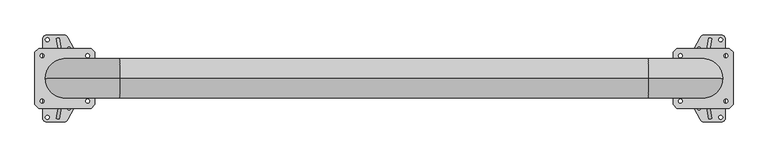
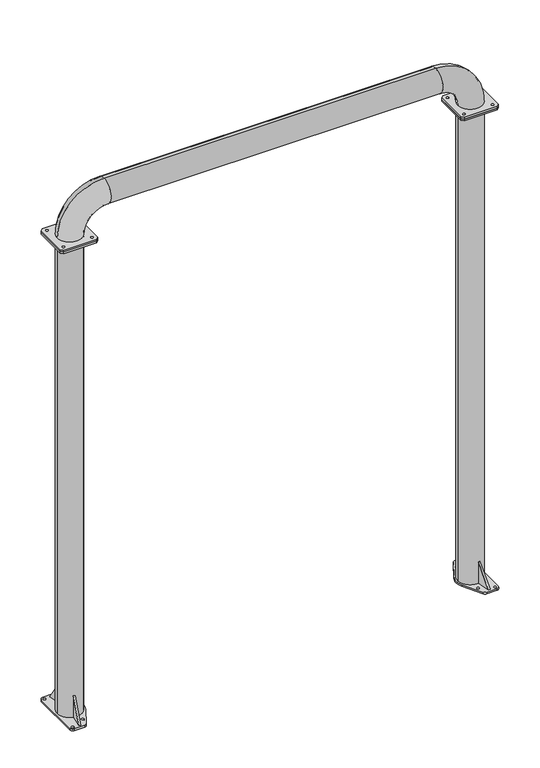
"""IFC4 building model written with IfcOpenShell, lengths in millimetres: proxy geometry."""

from ifc_helpers import new_model, si_unit, point, frame, frame_2d, origin, origin_with_axes, origin_2d, place, context, project, spatial, polyline, circle_curve, ellipse_curve, trimmed, segment, composite_curve, outline, extrude, source, transform, mapped, element, save
from ifc_brep_helpers import plane_surface, cylinder_surface, revolved_surface, advanced_brep


def generic_models_1aad7d0c(model_context):
    return source(origin(), model_context, "Body", "SolidModel", [
        extrude(outline(composite_curve([segment(polyline([(2669.9864553, 182.5), (2738.0, 182.5)]), True, "CONTINUOUS"), segment(trimmed(circle_curve(frame_2d((2738.0, 162.5)), 20.0), [point((2738.0, 182.5))], [point((2758.0, 162.5))], False, "CARTESIAN"), True, "CONTINUOUS"), segment(polyline([(2758.0, 162.5), (2758.0, -162.5)]), True, "CONTINUOUS"), segment(trimmed(circle_curve(frame_2d((2738.0, -162.5)), 20.0), [point((2758.0, -162.5))], [point((2738.0, -182.5))], False, "CARTESIAN"), True, "CONTINUOUS"), segment(polyline([(2738.0, -182.5), (2669.9347584, -182.5)]), True, "CONTINUOUS"), segment(trimmed(circle_curve(frame_2d((2669.9347584, -162.5)), 20.0), [point((2669.9347584, -182.5))], [point((2652.3436055, -172.0158468))], False, "CARTESIAN"), True, "CONTINUOUS"), segment(polyline([(2652.3436055, -172.0158468), (2584.6472441, -46.8712248)]), True, "CONTINUOUS"), segment(trimmed(circle_curve(frame_2d((2665.0, -0.0477839)), 93.0), [point((2584.6472441, -46.8712248))], [point((2584.6472441, 46.775657))], False, "CARTESIAN"), True, "CONTINUOUS"), segment(polyline([(2584.6472441, 46.775657), (2652.3953024, 172.0158468)]), True, "CONTINUOUS"), segment(trimmed(circle_curve(frame_2d((2669.9864553, 162.5)), 20.0), [point((2652.3953024, 172.0158468))], [point((2669.9864553, 182.5))], False, "CARTESIAN"), True, "CONTINUOUS")], self_intersect=False), holes=[composite_curve([segment(trimmed(circle_curve(frame_2d((2738.0, 162.5)), 8.0), [point((2730.0, 162.5))], [point((2746.0, 162.5))], True, "CARTESIAN"), True, "CONTINUOUS"), segment(trimmed(circle_curve(frame_2d((2738.0, 162.5)), 8.0), [point((2746.0, 162.5))], [point((2730.0, 162.5))], True, "CARTESIAN"), True, "CONTINUOUS")], self_intersect=False), composite_curve([segment(trimmed(circle_curve(frame_2d((2738.0, -162.5)), 8.0), [point((2730.0, -162.5))], [point((2746.0, -162.5))], True, "CARTESIAN"), True, "CONTINUOUS"), segment(trimmed(circle_curve(frame_2d((2738.0, -162.5)), 8.0), [point((2746.0, -162.5))], [point((2730.0, -162.5))], True, "CARTESIAN"), True, "CONTINUOUS")], self_intersect=False), composite_curve([segment(trimmed(circle_curve(frame_2d((2648.0, 123.0)), 8.0), [point((2640.0, 123.0))], [point((2656.0, 123.0))], True, "CARTESIAN"), True, "CONTINUOUS"), segment(trimmed(circle_curve(frame_2d((2648.0, 123.0)), 8.0), [point((2656.0, 123.0))], [point((2640.0, 123.0))], True, "CARTESIAN"), True, "CONTINUOUS")], self_intersect=False), composite_curve([segment(trimmed(circle_curve(frame_2d((2648.0, -123.0)), 8.0), [point((2640.0, -123.0))], [point((2656.0, -123.0))], True, "CARTESIAN"), True, "CONTINUOUS"), segment(trimmed(circle_curve(frame_2d((2648.0, -123.0)), 8.0), [point((2656.0, -123.0))], [point((2640.0, -123.0))], True, "CARTESIAN"), True, "CONTINUOUS")], self_intersect=False)]), origin_with_axes(), (0.0, 0.0, 1.0), 12.0),
        extrude(outline(composite_curve([segment(trimmed(circle_curve(frame_2d((-4.9864553, 162.5)), 20.0), [point((-4.9864553, 182.5))], [point((12.6046976, 172.0158468))], False, "CARTESIAN"), True, "CONTINUOUS"), segment(polyline([(12.6046976, 172.0158468), (80.3527559, 46.775657)]), True, "CONTINUOUS"), segment(trimmed(circle_curve(frame_2d((0.0, -0.0477839)), 93.0), [point((80.3527559, 46.775657))], [point((80.3527559, -46.8712248))], False, "CARTESIAN"), True, "CONTINUOUS"), segment(polyline([(80.3527559, -46.8712248), (12.6563945, -172.0158468)]), True, "CONTINUOUS"), segment(trimmed(circle_curve(frame_2d((-4.9347584, -162.5)), 20.0), [point((12.6563945, -172.0158468))], [point((-4.9347584, -182.5))], False, "CARTESIAN"), True, "CONTINUOUS"), segment(polyline([(-4.9347584, -182.5), (-73.0, -182.5)]), True, "CONTINUOUS"), segment(trimmed(circle_curve(frame_2d((-73.0, -162.5)), 20.0), [point((-73.0, -182.5))], [point((-93.0, -162.5))], False, "CARTESIAN"), True, "CONTINUOUS"), segment(polyline([(-93.0, -162.5), (-93.0, 162.5)]), True, "CONTINUOUS"), segment(trimmed(circle_curve(frame_2d((-73.0, 162.5)), 20.0), [point((-93.0, 162.5))], [point((-73.0, 182.5))], False, "CARTESIAN"), True, "CONTINUOUS"), segment(polyline([(-73.0, 182.5), (-4.9864553, 182.5)]), True, "CONTINUOUS")], self_intersect=False), holes=[composite_curve([segment(trimmed(circle_curve(frame_2d((17.0, 123.0)), 8.0), [point((9.0, 123.0))], [point((25.0, 123.0))], True, "CARTESIAN"), True, "CONTINUOUS"), segment(trimmed(circle_curve(frame_2d((17.0, 123.0)), 8.0), [point((25.0, 123.0))], [point((9.0, 123.0))], True, "CARTESIAN"), True, "CONTINUOUS")], self_intersect=False), composite_curve([segment(trimmed(circle_curve(frame_2d((17.0, -123.0)), 8.0), [point((9.0, -123.0))], [point((25.0, -123.0))], True, "CARTESIAN"), True, "CONTINUOUS"), segment(trimmed(circle_curve(frame_2d((17.0, -123.0)), 8.0), [point((25.0, -123.0))], [point((9.0, -123.0))], True, "CARTESIAN"), True, "CONTINUOUS")], self_intersect=False), composite_curve([segment(trimmed(circle_curve(frame_2d((-73.0, -162.5)), 8.0), [point((-81.0, -162.5))], [point((-65.0, -162.5))], True, "CARTESIAN"), True, "CONTINUOUS"), segment(trimmed(circle_curve(frame_2d((-73.0, -162.5)), 8.0), [point((-65.0, -162.5))], [point((-81.0, -162.5))], True, "CARTESIAN"), True, "CONTINUOUS")], self_intersect=False), composite_curve([segment(trimmed(circle_curve(frame_2d((-73.0, 162.5)), 8.0), [point((-81.0, 162.5))], [point((-65.0, 162.5))], True, "CARTESIAN"), True, "CONTINUOUS"), segment(trimmed(circle_curve(frame_2d((-73.0, 162.5)), 8.0), [point((-65.0, 162.5))], [point((-81.0, 162.5))], True, "CARTESIAN"), True, "CONTINUOUS")], self_intersect=False)]), origin_with_axes(), (0.0, 0.0, 1.0), 12.0),
        advanced_brep(
        [(2673.4197559, 82.0692251, 162.0), (2685.236419, 79.9796058, 162.0), (2685.2910421, 80.2893885, 162.0), (2673.473349, 82.3731666, 162.0), (2700.9193781, 168.9220863, 12.0), (2685.236419, 79.9796058, 12.0), (2673.4197559, 82.0692251, 12.0), (2689.101685, 171.0058644, 12.0)],
        [
            (0, 1, circle_curve(frame((2665.0, 0.0, 162.0), z_axis=(0.0, 0.0, -1.0), x_axis=(-1.0, 0.0, 0.0)), 82.5)),
            (1, 2),
            (2, 3),
            (3, 0),
            (4, 5),
            (5, 6, circle_curve(frame((2665.0, 0.0, 12.0), z_axis=(0.0, 0.0, 1.0), x_axis=(-1.0, 0.0, 0.0)), 82.5)),
            (6, 7),
            (7, 4),
            (6, 0),
            (3, 7),
            (5, 1),
            (4, 2),
        ],
        [
            plane_surface(frame((2700.9193781, 168.9220863, 162.0), z_axis=(0.0, 0.0, 1.0000000000000002), x_axis=(-0.9848077530122133, 0.17364817766690058, 0.0))),
            plane_surface(frame((2700.9193781, 168.9220863, 12.0), z_axis=(0.0, 0.0, -1.0000000000000002), x_axis=(0.9848077530122133, -0.17364817766690058, 0.0))),
            plane_surface(frame((2689.101685, 171.0058644, 162.0), z_axis=(-0.9848077530122075, 0.1736481776669342, 0.0), x_axis=(0.0, 0.0, -1.0))),
            revolved_surface(polyline([(2582.5, 0.0, 12.0), (2582.5, 0.0, 162.0)]), (2665.0, 0.0, 12.0), (0.0, 0.0, -1.0)),
            plane_surface(frame((2685.236419, 79.9796058, 162.0), z_axis=(0.9848077530122071, -0.17364817766693583, 0.0), x_axis=(0.0, 0.0, -1.0))),
            plane_surface(frame((2689.101685, 171.0058644, 12.0), z_axis=(0.14890208391224347, 0.8444656813948381, 0.5144957554275285), x_axis=(0.9848077530122133, -0.17364817766690058, 0.0))),
        ],
        [
            (0, [[1, 2, 3, 4]]),
            (1, [[5, 6, 7, 8]]),
            (2, [[-7, 9, -4, 10]]),
            (3, [[-1, -9, -6, 11]]),
            (4, [[-5, 12, -2, -11]]),
            (5, [[-3, -12, -8, -10]]),
        ],
    ),
        advanced_brep(
        [(2685.236419, -79.9796058, 162.0), (2673.4197559, -82.0692251, 162.0), (2673.473349, -82.3731666, 162.0), (2685.2910421, -80.2893885, 162.0), (2673.4197559, -82.0692251, 12.0), (2685.236419, -79.9796058, 12.0), (2700.9193781, -168.9220863, 12.0), (2689.101685, -171.0058644, 12.0)],
        [
            (0, 1, circle_curve(frame((2665.0, 0.0, 162.0), z_axis=(0.0, 0.0, -1.0), x_axis=(-1.0, 0.0, 0.0)), 82.5)),
            (1, 2),
            (2, 3),
            (3, 0),
            (4, 5, circle_curve(frame((2665.0, 0.0, 12.0), z_axis=(0.0, 0.0, 1.0), x_axis=(-1.0, 0.0, 0.0)), 82.5)),
            (5, 6),
            (6, 7),
            (7, 4),
            (7, 2),
            (1, 4),
            (5, 0),
            (3, 6),
        ],
        [
            plane_surface(frame((2700.9193781, 168.9220863, 162.0), z_axis=(0.0, 0.0, 1.0000000000000002), x_axis=(-0.9848077530122133, 0.17364817766690058, 0.0))),
            plane_surface(frame((2700.9193781, 168.9220863, 12.0), z_axis=(0.0, 0.0, -1.0000000000000002), x_axis=(0.9848077530122133, -0.17364817766690058, 0.0))),
            plane_surface(frame((2673.4197559, -82.0692251, 162.0), z_axis=(-0.9848077530122078, -0.17364817766693205, 0.0), x_axis=(0.0, 0.0, -1.0))),
            plane_surface(frame((2700.9193781, -168.9220863, 162.0), z_axis=(0.9848077530122088, 0.1736481776669261, 0.0), x_axis=(0.0, 0.0, -1.0))),
            revolved_surface(polyline([(2582.5, 0.0, 12.0), (2582.5, 0.0, 162.0)]), (2665.0, 0.0, 12.0), (0.0, 0.0, -1.0)),
            plane_surface(frame((2700.9193781, -168.9220863, 12.0), z_axis=(0.1489020839123185, -0.8444656813948247, 0.5144957554275288), x_axis=(-0.9848077530121979, -0.1736481776669881, 0.0))),
        ],
        [
            (0, [[1, 2, 3, 4]]),
            (1, [[5, 6, 7, 8]]),
            (2, [[-8, 9, -2, 10]]),
            (3, [[-6, 11, -4, 12]]),
            (4, [[-1, -11, -5, -10]]),
            (5, [[-3, -9, -7, -12]]),
        ],
    ),
        extrude(outline(polyline([(-1593.0072814, 0.0), (-1503.0072813, 0.0), (-1503.0072813, -150.0), (-1593.0072814, 0.0)])), frame((252.5773473, 1397.8846948, 12.0), z_axis=(-0.9848077530122081, 0.1736481776669302, 0.0), x_axis=(0.1736481776669302, 0.9848077530122081, 0.0)), (0.0, 0.0, 1.0), 12.0),
        extrude(outline(polyline([(-5508.8576415, 0.0), (-5358.8576415, 0.0), (-5508.8576415, -89.9999999), (-5508.8576415, 0.0)])), frame((-20.2348212, 80.2047506, 5520.8576415), z_axis=(0.9848077530122084, 0.17364817766692878, 0.0), x_axis=(0.0, 0.0, 1.0)), (0.0, 0.0, 1.0), 12.0),
        advanced_brep(
        [(82.5, 0.0, 3353.5), (-82.5, 0.0, 3353.5), (78.5, 0.0, 3353.5), (-78.5, 0.0, 3353.5), (229.0, 0.0, 3665.0), (229.0, 0.0, 3500.0), (229.0, 0.0, 3661.0), (229.0, 0.0, 3504.0), (2436.0, 0.0, 3500.0), (2436.0, 0.0, 3665.0), (2436.0, 0.0, 3504.0), (2436.0, 0.0, 3661.0), (2582.5, 0.0, 3353.5), (2747.5, 0.0, 3353.5), (2586.5, 0.0, 3353.5), (2743.5, 0.0, 3353.5)],
        [
            (0, 1, circle_curve(frame((0.0, 0.0, 3353.5), z_axis=(0.0, 0.0, -1.0), x_axis=(-1.0, 0.0, 0.0)), 82.5)),
            (1, 0, circle_curve(frame((0.0, 0.0, 3353.5), z_axis=(0.0, 0.0, -1.0), x_axis=(-1.0, 0.0, 0.0)), 82.5)),
            (2, 3, circle_curve(frame((0.0, 0.0, 3353.5), z_axis=(0.0, 0.0, 1.0), x_axis=(-1.0, 0.0, 0.0)), 78.5)),
            (3, 2, circle_curve(frame((0.0, 0.0, 3353.5), z_axis=(0.0, 0.0, 1.0), x_axis=(-1.0, 0.0, 0.0)), 78.5)),
            (4, 1, circle_curve(frame((229.0, 0.0, 3353.5), z_axis=(0.0, -1.0, 0.0), x_axis=(-1.0, 0.0, 0.0)), 311.5)),
            (0, 5, circle_curve(frame((229.0, 0.0, 3353.5), z_axis=(0.0, 1.0, 0.0), x_axis=(-1.0, 0.0, 0.0)), 146.5)),
            (5, 4, circle_curve(frame((229.0, 0.0, 3582.5), z_axis=(-1.0, 0.0, 0.0), x_axis=(0.0, 0.0, 1.0)), 82.5)),
            (4, 5, circle_curve(frame((229.0, 0.0, 3582.5), z_axis=(-1.0, 0.0, 0.0), x_axis=(0.0, 0.0, 1.0)), 82.5)),
            (6, 3, circle_curve(frame((229.0, 0.0, 3353.5), z_axis=(0.0, -1.0, 0.0), x_axis=(-1.0, 0.0, 0.0)), 307.5)),
            (2, 7, circle_curve(frame((229.0, 0.0, 3353.5), z_axis=(0.0, 1.0, 0.0), x_axis=(-1.0, 0.0, 0.0)), 150.5)),
            (7, 6, circle_curve(frame((229.0, 0.0, 3582.5), z_axis=(1.0, 0.0, 0.0), x_axis=(0.0, 0.0, 1.0)), 78.5)),
            (6, 7, circle_curve(frame((229.0, 0.0, 3582.5), z_axis=(1.0, 0.0, 0.0), x_axis=(0.0, 0.0, 1.0)), 78.5)),
            (5, 8),
            (8, 9, circle_curve(frame((2436.0, 0.0, 3582.5), z_axis=(-1.0, 0.0, 0.0), x_axis=(0.0, 0.0, 1.0)), 82.5)),
            (9, 4),
            (9, 8, circle_curve(frame((2436.0, 0.0, 3582.5), z_axis=(-1.0, 0.0, 0.0), x_axis=(0.0, 0.0, 1.0)), 82.5)),
            (7, 10),
            (10, 11, circle_curve(frame((2436.0, 0.0, 3582.5), z_axis=(1.0, 0.0, 0.0), x_axis=(0.0, 0.0, 1.0)), 78.5)),
            (11, 6),
            (11, 10, circle_curve(frame((2436.0, 0.0, 3582.5), z_axis=(1.0, 0.0, 0.0), x_axis=(0.0, 0.0, 1.0)), 78.5)),
            (12, 13, circle_curve(frame((2665.0, 0.0, 3353.5), z_axis=(0.0, 0.0, -1.0), x_axis=(1.0, 0.0, 0.0)), 82.5)),
            (13, 12, circle_curve(frame((2665.0, 0.0, 3353.5), z_axis=(0.0, 0.0, -1.0), x_axis=(1.0, 0.0, 0.0)), 82.5)),
            (14, 15, circle_curve(frame((2665.0, 0.0, 3353.5), z_axis=(0.0, 0.0, 1.0), x_axis=(1.0, 0.0, 0.0)), 78.5)),
            (15, 14, circle_curve(frame((2665.0, 0.0, 3353.5), z_axis=(0.0, 0.0, 1.0), x_axis=(1.0, 0.0, 0.0)), 78.5)),
            (13, 9, circle_curve(frame((2436.0, 0.0, 3353.5), z_axis=(0.0, -1.0, 0.0), x_axis=(0.0, 0.0, 1.0)), 311.5)),
            (8, 12, circle_curve(frame((2436.0, 0.0, 3353.5), z_axis=(0.0, 1.0, 0.0), x_axis=(0.0, 0.0, 1.0)), 146.5)),
            (15, 11, circle_curve(frame((2436.0, 0.0, 3353.5), z_axis=(0.0, -1.0, 0.0), x_axis=(0.0, 0.0, 1.0)), 307.5)),
            (10, 14, circle_curve(frame((2436.0, 0.0, 3353.5), z_axis=(0.0, 1.0, 0.0), x_axis=(0.0, 0.0, 1.0)), 150.5)),
        ],
        [
            plane_surface(frame((0.0, 0.0, 3353.5), z_axis=(0.0, 0.0, -1.0), x_axis=(0.0, -1.0, 0.0))),
            revolved_surface(trimmed(ellipse_curve(frame((0.0, 0.0, 3353.5), z_axis=(0.0, 0.0, -1.0), x_axis=(-1.0, 0.0, 0.0)), 82.5, 82.5), [point((82.5, 0.0, 3353.5))], [point((-82.5, 0.0, 3353.5))], True, "CARTESIAN"), (229.0, 0.0, 3353.5), (0.0, 1.0, 0.0)),
            revolved_surface(trimmed(ellipse_curve(frame((0.0, 0.0, 3353.5), z_axis=(0.0, 0.0, -1.0), x_axis=(-1.0, 0.0, 0.0)), 82.5, 82.5), [point((-82.5, 0.0, 3353.5))], [point((82.5, 0.0, 3353.5))], True, "CARTESIAN"), (229.0, 0.0, 3353.5), (0.0, 1.0, 0.0)),
            revolved_surface(trimmed(ellipse_curve(frame((0.0, 0.0, 3353.5), z_axis=(0.0, 0.0, 1.0), x_axis=(-1.0, 0.0, 0.0)), 78.5, 78.5), [point((78.5, 0.0, 3353.5))], [point((-78.5, 0.0, 3353.5))], True, "CARTESIAN"), (229.0, 0.0, 3353.5), (0.0, 1.0, 0.0)),
            revolved_surface(trimmed(ellipse_curve(frame((0.0, 0.0, 3353.5), z_axis=(0.0, 0.0, 1.0), x_axis=(-1.0, 0.0, 0.0)), 78.5, 78.5), [point((-78.5, 0.0, 3353.5))], [point((78.5, 0.0, 3353.5))], True, "CARTESIAN"), (229.0, 0.0, 3353.5), (0.0, 1.0, 0.0)),
            cylinder_surface(frame((229.0, 0.0, 3582.5), z_axis=(-1.0, 0.0, 0.0), x_axis=(0.0, 0.0, 1.0)), 82.5),
            revolved_surface(polyline([(2436.0, 0.0, 3661.0), (229.0, 0.0, 3661.0)]), (229.0, 0.0, 3582.5), (1.0, 0.0, 0.0)),
            plane_surface(frame((2665.0, 0.0, 3353.5), z_axis=(0.0, 0.0, -1.0), x_axis=(0.0, -1.0, 0.0))),
            revolved_surface(trimmed(ellipse_curve(frame((2436.0, 0.0, 3582.5), z_axis=(-1.0, 0.0, 0.0), x_axis=(0.0, 0.0, 1.0)), 82.5, 82.5), [point((2436.0, 0.0, 3500.0))], [point((2436.0, 0.0, 3665.0))], True, "CARTESIAN"), (2436.0, 0.0, 3353.5), (0.0, 1.0, 0.0)),
            revolved_surface(trimmed(ellipse_curve(frame((2436.0, 0.0, 3582.5), z_axis=(-1.0, 0.0, 0.0), x_axis=(0.0, 0.0, 1.0)), 82.5, 82.5), [point((2436.0, 0.0, 3665.0))], [point((2436.0, 0.0, 3500.0))], True, "CARTESIAN"), (2436.0, 0.0, 3353.5), (0.0, 1.0, 0.0)),
            revolved_surface(trimmed(ellipse_curve(frame((2436.0, 0.0, 3582.5), z_axis=(1.0, 0.0, 0.0), x_axis=(0.0, 0.0, 1.0)), 78.5, 78.5), [point((2436.0, 0.0, 3504.0))], [point((2436.0, 0.0, 3661.0))], True, "CARTESIAN"), (2436.0, 0.0, 3353.5), (0.0, 1.0, 0.0)),
            revolved_surface(trimmed(ellipse_curve(frame((2436.0, 0.0, 3582.5), z_axis=(1.0, 0.0, 0.0), x_axis=(0.0, 0.0, 1.0)), 78.5, 78.5), [point((2436.0, 0.0, 3661.0))], [point((2436.0, 0.0, 3504.0))], True, "CARTESIAN"), (2436.0, 0.0, 3353.5), (0.0, 1.0, 0.0)),
        ],
        [
            (0, [[1, 2], [3, 4]]),
            (1, [[5, -1, 6, 7]]),
            (2, [[-6, -2, -5, 8]]),
            (3, [[9, -3, 10, 11]]),
            (4, [[-10, -4, -9, 12]]),
            (5, [[-7, 13, 14, 15]]),
            (5, [[-8, -15, 16, -13]]),
            (6, [[-11, 17, 18, 19]]),
            (6, [[-12, -19, 20, -17]]),
            (7, [[21, 22], [23, 24]]),
            (8, [[25, -14, 26, -22]]),
            (9, [[-26, -16, -25, -21]]),
            (10, [[27, -18, 28, -24]]),
            (11, [[-28, -20, -27, -23]]),
        ],
    ),
        extrude(outline(polyline([(110.0, 125.0), (125.0, 110.0), (125.0, -110.0), (110.0, -125.0), (-110.0, -125.0), (-125.0, -110.0), (-125.0, 110.0), (-110.0, 125.0), (110.0, 125.0)]), holes=[composite_curve([segment(trimmed(circle_curve(frame_2d((-95.0, 95.0)), 8.0), [point((-103.0, 95.0))], [point((-87.0, 95.0))], True, "CARTESIAN"), True, "CONTINUOUS"), segment(trimmed(circle_curve(frame_2d((-95.0, 95.0)), 8.0), [point((-87.0, 95.0))], [point((-103.0, 95.0))], True, "CARTESIAN"), True, "CONTINUOUS")], self_intersect=False), composite_curve([segment(trimmed(circle_curve(frame_2d((95.0, 95.0)), 8.0), [point((87.0, 95.0))], [point((103.0, 95.0))], True, "CARTESIAN"), True, "CONTINUOUS"), segment(trimmed(circle_curve(frame_2d((95.0, 95.0)), 8.0), [point((103.0, 95.0))], [point((87.0, 95.0))], True, "CARTESIAN"), True, "CONTINUOUS")], self_intersect=False), composite_curve([segment(trimmed(circle_curve(frame_2d((95.0, -95.0)), 8.0), [point((87.0, -95.0))], [point((103.0, -95.0))], True, "CARTESIAN"), True, "CONTINUOUS"), segment(trimmed(circle_curve(frame_2d((95.0, -95.0)), 8.0), [point((103.0, -95.0))], [point((87.0, -95.0))], True, "CARTESIAN"), True, "CONTINUOUS")], self_intersect=False), composite_curve([segment(trimmed(circle_curve(frame_2d((-95.0, -95.0)), 8.0), [point((-103.0, -95.0))], [point((-87.0, -95.0))], True, "CARTESIAN"), True, "CONTINUOUS"), segment(trimmed(circle_curve(frame_2d((-95.0, -95.0)), 8.0), [point((-87.0, -95.0))], [point((-103.0, -95.0))], True, "CARTESIAN"), True, "CONTINUOUS")], self_intersect=False)]), frame((0.0, 0.0, 3342.0), z_axis=(0.0, 0.0, 1.0), x_axis=(1.0, 0.0, 0.0)), (0.0, 0.0, 1.0), 12.0),
        extrude(outline(polyline([(2540.0, -110.0), (2540.0, 110.0), (2555.0, 125.0), (2775.0, 125.0), (2790.0, 110.0), (2790.0, -110.0), (2775.0, -125.0), (2555.0, -125.0), (2540.0, -110.0)]), holes=[composite_curve([segment(trimmed(circle_curve(frame_2d((2570.0, 95.0)), 8.0), [point((2578.0, 95.0))], [point((2562.0, 95.0))], True, "CARTESIAN"), True, "CONTINUOUS"), segment(trimmed(circle_curve(frame_2d((2570.0, 95.0)), 8.0), [point((2562.0, 95.0))], [point((2578.0, 95.0))], True, "CARTESIAN"), True, "CONTINUOUS")], self_intersect=False), composite_curve([segment(trimmed(circle_curve(frame_2d((2760.0, 95.0)), 8.0), [point((2752.0, 95.0))], [point((2768.0, 95.0))], True, "CARTESIAN"), True, "CONTINUOUS"), segment(trimmed(circle_curve(frame_2d((2760.0, 95.0)), 8.0), [point((2768.0, 95.0))], [point((2752.0, 95.0))], True, "CARTESIAN"), True, "CONTINUOUS")], self_intersect=False), composite_curve([segment(trimmed(circle_curve(frame_2d((2570.0, -95.0)), 8.0), [point((2562.0, -95.0))], [point((2578.0, -95.0))], True, "CARTESIAN"), True, "CONTINUOUS"), segment(trimmed(circle_curve(frame_2d((2570.0, -95.0)), 8.0), [point((2578.0, -95.0))], [point((2562.0, -95.0))], True, "CARTESIAN"), True, "CONTINUOUS")], self_intersect=False), composite_curve([segment(trimmed(circle_curve(frame_2d((2760.0, -95.0)), 8.0), [point((2752.0, -95.0))], [point((2768.0, -95.0))], True, "CARTESIAN"), True, "CONTINUOUS"), segment(trimmed(circle_curve(frame_2d((2760.0, -95.0)), 8.0), [point((2768.0, -95.0))], [point((2752.0, -95.0))], True, "CARTESIAN"), True, "CONTINUOUS")], self_intersect=False)]), frame((0.0, 0.0, 3342.0), z_axis=(0.0, 0.0, 1.0), x_axis=(1.0, 0.0, 0.0)), (0.0, 0.0, 1.0), 12.0),
        extrude(outline(polyline([(125.0, -110.0), (110.0, -125.0), (-110.0, -125.0), (-125.0, -110.0), (-125.0, 110.0), (-110.0, 125.0), (110.0, 125.0), (125.0, 110.0), (125.0, -110.0)]), holes=[composite_curve([segment(trimmed(circle_curve(frame_2d((-95.0, 95.0)), 8.0), [point((-103.0, 95.0))], [point((-87.0, 95.0))], True, "CARTESIAN"), True, "CONTINUOUS"), segment(trimmed(circle_curve(frame_2d((-95.0, 95.0)), 8.0), [point((-87.0, 95.0))], [point((-103.0, 95.0))], True, "CARTESIAN"), True, "CONTINUOUS")], self_intersect=False), composite_curve([segment(trimmed(circle_curve(frame_2d((95.0, 95.0)), 8.0), [point((87.0, 95.0))], [point((103.0, 95.0))], True, "CARTESIAN"), True, "CONTINUOUS"), segment(trimmed(circle_curve(frame_2d((95.0, 95.0)), 8.0), [point((103.0, 95.0))], [point((87.0, 95.0))], True, "CARTESIAN"), True, "CONTINUOUS")], self_intersect=False), composite_curve([segment(trimmed(circle_curve(frame_2d((-95.0, -95.0)), 8.0), [point((-103.0, -95.0))], [point((-87.0, -95.0))], True, "CARTESIAN"), True, "CONTINUOUS"), segment(trimmed(circle_curve(frame_2d((-95.0, -95.0)), 8.0), [point((-87.0, -95.0))], [point((-103.0, -95.0))], True, "CARTESIAN"), True, "CONTINUOUS")], self_intersect=False), composite_curve([segment(trimmed(circle_curve(frame_2d((95.0, -95.0)), 8.0), [point((87.0, -95.0))], [point((103.0, -95.0))], True, "CARTESIAN"), True, "CONTINUOUS"), segment(trimmed(circle_curve(frame_2d((95.0, -95.0)), 8.0), [point((103.0, -95.0))], [point((87.0, -95.0))], True, "CARTESIAN"), True, "CONTINUOUS")], self_intersect=False)]), frame((0.0, 0.0, 3330.0), z_axis=(0.0, 0.0, 1.0), x_axis=(1.0, 0.0, 0.0)), (0.0, 0.0, 1.0), 12.0),
        extrude(outline(polyline([(2540.0, -110.0), (2540.0, 110.0), (2555.0, 125.0), (2775.0, 125.0), (2790.0, 110.0), (2790.0, -110.0), (2775.0, -125.0), (2555.0, -125.0), (2540.0, -110.0)]), holes=[composite_curve([segment(trimmed(circle_curve(frame_2d((2570.0, 95.0)), 10.5), [point((2559.5, 95.0))], [point((2580.5, 95.0))], True, "CARTESIAN"), True, "CONTINUOUS"), segment(trimmed(circle_curve(frame_2d((2570.0, 95.0)), 10.5), [point((2580.5, 95.0))], [point((2559.5, 95.0))], True, "CARTESIAN"), True, "CONTINUOUS")], self_intersect=False), composite_curve([segment(trimmed(circle_curve(frame_2d((2760.0, 95.0)), 8.0), [point((2752.0, 95.0))], [point((2768.0, 95.0))], True, "CARTESIAN"), True, "CONTINUOUS"), segment(trimmed(circle_curve(frame_2d((2760.0, 95.0)), 8.0), [point((2768.0, 95.0))], [point((2752.0, 95.0))], True, "CARTESIAN"), True, "CONTINUOUS")], self_intersect=False), composite_curve([segment(trimmed(circle_curve(frame_2d((2570.0, -95.0)), 10.5), [point((2559.5, -95.0))], [point((2580.5, -95.0))], True, "CARTESIAN"), True, "CONTINUOUS"), segment(trimmed(circle_curve(frame_2d((2570.0, -95.0)), 10.5), [point((2580.5, -95.0))], [point((2559.5, -95.0))], True, "CARTESIAN"), True, "CONTINUOUS")], self_intersect=False), composite_curve([segment(trimmed(circle_curve(frame_2d((2760.0, -95.0)), 8.0), [point((2752.0, -95.0))], [point((2768.0, -95.0))], True, "CARTESIAN"), True, "CONTINUOUS"), segment(trimmed(circle_curve(frame_2d((2760.0, -95.0)), 8.0), [point((2768.0, -95.0))], [point((2752.0, -95.0))], True, "CARTESIAN"), True, "CONTINUOUS")], self_intersect=False)]), frame((0.0, 0.0, 3330.0), z_axis=(0.0, 0.0, 1.0), x_axis=(1.0, 0.0, 0.0)), (0.0, 0.0, 1.0), 12.0),
        extrude(outline(composite_curve([segment(trimmed(circle_curve(origin_2d(), 82.5), [point((82.5, 0.0))], [point((-82.5, 0.0))], False, "CARTESIAN"), True, "CONTINUOUS"), segment(trimmed(circle_curve(origin_2d(), 82.5), [point((-82.5, 0.0))], [point((82.5, 0.0))], False, "CARTESIAN"), True, "CONTINUOUS")], self_intersect=False), holes=[composite_curve([segment(trimmed(circle_curve(origin_2d(), 81.0), [point((81.0, 0.0))], [point((-81.0, 0.0))], True, "CARTESIAN"), True, "CONTINUOUS"), segment(trimmed(circle_curve(origin_2d(), 81.0), [point((-81.0, 0.0))], [point((81.0, 0.0))], True, "CARTESIAN"), True, "CONTINUOUS")], self_intersect=False)]), frame((0.0, 0.0, 12.0), z_axis=(0.0, 0.0, 1.0), x_axis=(1.0, 0.0, 0.0)), (0.0, 0.0, 1.0), 3318.0),
        extrude(outline(composite_curve([segment(trimmed(circle_curve(frame_2d((2665.0, 0.0)), 82.5), [point((2747.5, 0.0))], [point((2582.5, 0.0))], False, "CARTESIAN"), True, "CONTINUOUS"), segment(trimmed(circle_curve(frame_2d((2665.0, 0.0)), 82.5), [point((2582.5, 0.0))], [point((2747.5, 0.0))], False, "CARTESIAN"), True, "CONTINUOUS")], self_intersect=False), holes=[composite_curve([segment(trimmed(circle_curve(frame_2d((2665.0, 0.0)), 81.0), [point((2746.0, 0.0))], [point((2584.0, 0.0))], True, "CARTESIAN"), True, "CONTINUOUS"), segment(trimmed(circle_curve(frame_2d((2665.0, 0.0)), 81.0), [point((2584.0, 0.0))], [point((2746.0, 0.0))], True, "CARTESIAN"), True, "CONTINUOUS")], self_intersect=False)]), frame((0.0, 0.0, 12.0), z_axis=(0.0, 0.0, 1.0), x_axis=(1.0, 0.0, 0.0)), (0.0, 0.0, 1.0), 3318.0),
    ])


if __name__ == "__main__":
    model = new_model("IFC4")
    model_context = context("Model", 3, world=origin())
    ifc_project = project(units=[si_unit("LENGTHUNIT", "METRE", prefix="MILLI")], contexts=[model_context])
    site = spatial("IfcSite", under=ifc_project)
    building = spatial("IfcBuilding", under=site)
    placement = place(None, origin())
    generic_models_shape = generic_models_1aad7d0c(model_context)
    element("IfcBuildingElementProxy", 1, Name="Generic Models", at=placement, inside=building, context=model_context, shape_type="MappedRepresentation", body=[
        mapped(generic_models_shape, transform((0.0, 0.0, 0.0), x_axis=(1.0, 0.0, 0.0), y_axis=(0.0, 1.0, 0.0), z_axis=(0.0, 0.0, 1.0))),
    ])
    save(model, "model.ifc")
